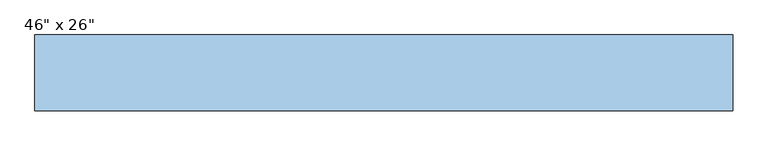
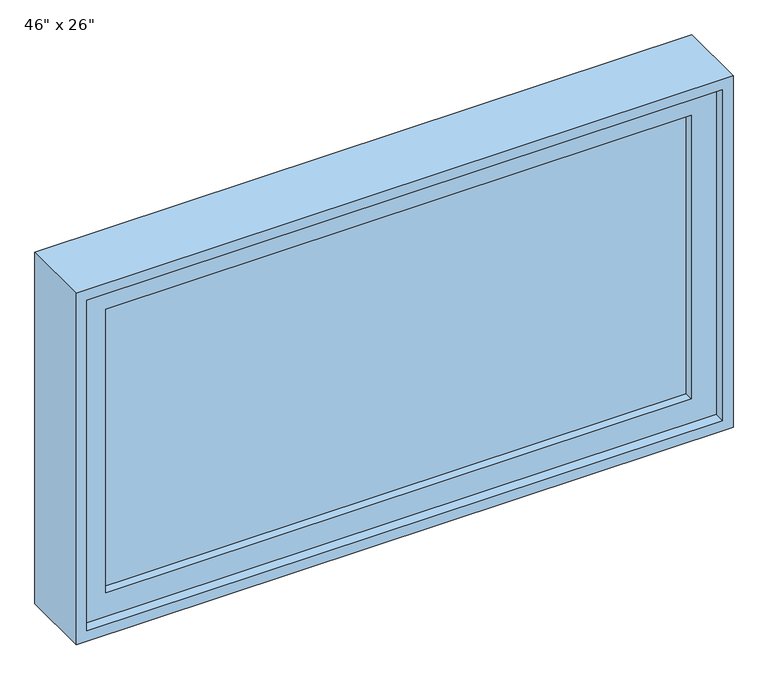
"""IFC4 building model written with IfcOpenShell, lengths in millimetres: window geometry."""

from ifc_helpers import new_model, si_unit, frame, origin, place, context, project, spatial, polyline, outline, extrude, source, transform, mapped, element, save


def window_ee350d7c(model_context):
    return source(origin(), model_context, "Body", "SweptSolid", [
        extrude(outline(polyline([(1555.75, 565.15), (1555.75, -565.15), (933.45, -565.15), (933.45, 565.15), (1555.75, 565.15)]), holes=[polyline([(1511.3, 520.7), (977.9, 520.7), (977.9, -520.7), (1511.3, -520.7), (1511.3, 520.7)])]), frame((0.0, 11.1125, 0.0), z_axis=(0.0, 1.0, 0.0), x_axis=(0.0, 0.0, 1.0)), (0.0, 0.0, 1.0), 44.45),
        extrude(outline(polyline([(520.7, 39.6875), (520.7, 26.9875), (-520.7, 26.9875), (-520.7, 39.6875), (520.7, 39.6875)])), frame((0.0, 0.0, 977.9), z_axis=(0.0, 0.0, 1.0), x_axis=(1.0, 0.0, 0.0)), (0.0, 0.0, 1.0), 533.4),
        extrude(outline(polyline([(914.4, -584.2), (914.4, 584.2), (1574.8, 584.2), (1574.8, -584.2), (914.4, -584.2)]), holes=[polyline([(1555.75, 565.15), (933.45, 565.15), (933.45, -565.15), (1555.75, -565.15), (1555.75, 565.15)])]), frame((0.0, -7.9375, 0.0), z_axis=(0.0, 1.0, 0.0), x_axis=(0.0, 0.0, 1.0)), (0.0, 0.0, 1.0), 127.0),
    ])


if __name__ == "__main__":
    model = new_model("IFC4")
    model_context = context("Model", 3, world=origin())
    ifc_project = project(units=[si_unit("LENGTHUNIT", "METRE", prefix="MILLI")], contexts=[model_context])
    site = spatial("IfcSite", under=ifc_project)
    building = spatial("IfcBuilding", under=site)
    placement = place(None, origin())
    window_shape = window_ee350d7c(model_context)
    element("IfcWindow", 1, ObjectType="46\" x 26\"", at=placement, inside=building, context=model_context, shape_type="MappedRepresentation", body=[
        mapped(window_shape, transform((0.0, 0.0, 0.0), x_axis=(1.0, 0.0, 0.0), y_axis=(0.0, 1.0, 0.0), z_axis=(0.0, 0.0, 1.0))),
    ])
    save(model, "model.ifc")
